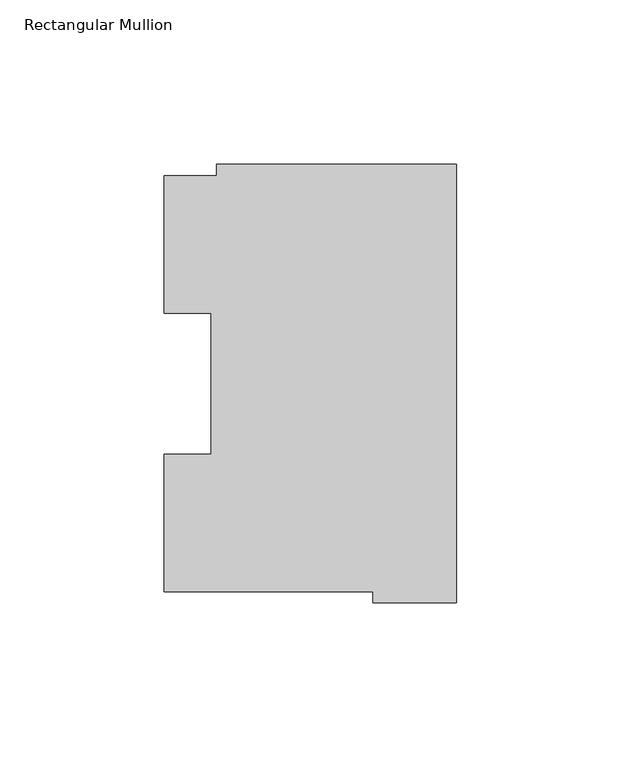
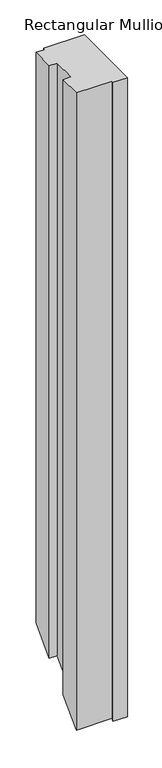
"""IFC4 building model written with IfcOpenShell, lengths in millimetres: member geometry, Rectangular Mullion."""

from ifc_helpers import new_model, si_unit, origin, place, context, project, spatial, faceted_brep, source, transform, mapped, element, save


def rectangular_mullion_1a02a386(model_context):
    return source(origin(), model_context, "Body", "Brep", [
        faceted_brep([(-88.8772701, 126.75235, 0.0), (-88.8772701, 84.93125, 0.0), (-74.5947228, 84.93125, 0.0), (-74.5947228, 42.0334858, 0.0), (-88.8772701, 42.0334858, 0.0), (-88.8772701, 0.26035, 0.0), (-25.3772701, 0.26035, 0.0), (-25.3772701, -3.193538, 0.0), (0.0, -3.193538, 0.0), (0.0, 130.1706837, 0.0), (-73.025, 130.1706837, 0.0), (-73.025, 126.75235, 0.0), (-88.8772701, 126.75235, -1079.754), (-88.8772701, 84.93125, -1121.5751), (-74.5947228, 84.93125, -1121.5751), (-74.5947228, 42.0334858, -1164.4728642), (-88.8772701, 42.0334858, -1164.4728642), (-88.8772701, 0.26035, -1206.246), (-25.3772701, 0.26035, -1206.246), (-25.3772701, -3.193538, -1209.699888), (0.0, -3.193538, -1209.699888), (0.0, 130.1706837, -1076.3356663), (-73.025, 130.1706837, -1076.3356663), (-73.025, 126.75235, -1079.754)], [[[0, 1, 2, 3, 4, 5, 6, 7, 8, 9, 10, 11]], [[1, 0, 12, 13]], [[2, 1, 13, 14]], [[3, 2, 14, 15]], [[4, 3, 15, 16]], [[5, 4, 16, 17]], [[6, 5, 17, 18]], [[7, 6, 18, 19]], [[8, 7, 19, 20]], [[9, 8, 20, 21]], [[10, 9, 21, 22]], [[11, 10, 22, 23]], [[0, 11, 23, 12]], [[12, 23, 22, 21, 20, 19, 18, 17, 16, 15, 14, 13]]]),
    ])


if __name__ == "__main__":
    model = new_model("IFC4")
    model_context = context("Model", 3, world=origin())
    ifc_project = project(units=[si_unit("LENGTHUNIT", "METRE", prefix="MILLI")], contexts=[model_context])
    site = spatial("IfcSite", under=ifc_project)
    building = spatial("IfcBuilding", under=site)
    placement = place(None, origin())
    rectangular_mullion_shape = rectangular_mullion_1a02a386(model_context)
    element("IfcMember", 1, ObjectType="Rectangular Mullion", at=placement, inside=building, context=model_context, shape_type="MappedRepresentation", body=[
        mapped(rectangular_mullion_shape, transform((0.0, 0.0, 0.0), x_axis=(1.0, 0.0, 0.0), y_axis=(0.0, 1.0, 0.0), z_axis=(0.0, 0.0, 1.0))),
    ])
    save(model, "model.ifc")
